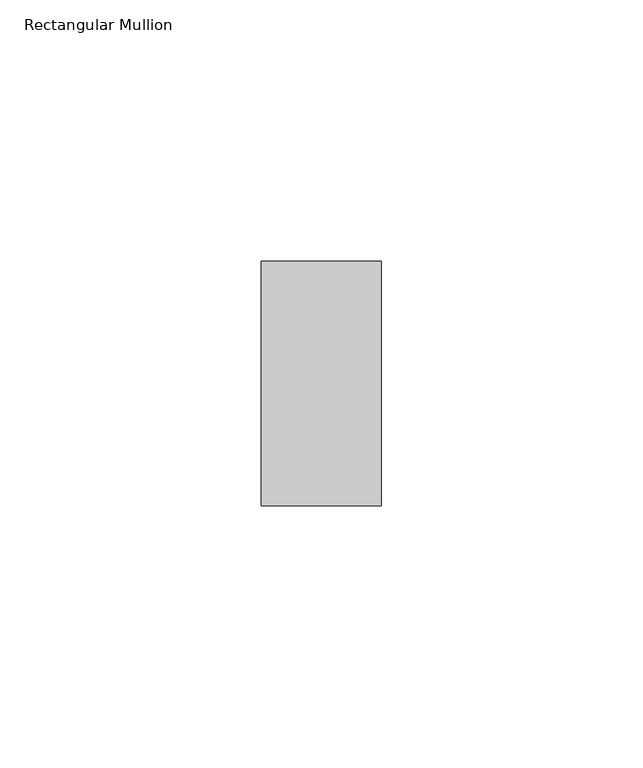
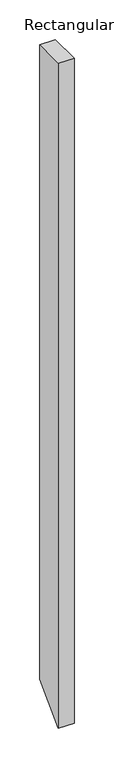
"""IFC4 building model written with IfcOpenShell, lengths in millimetres: member geometry, Rectangular Mullion."""

from ifc_helpers import new_model, si_unit, frame, origin, place, context, project, spatial, polyline, outline, extrude, source, transform, mapped, element, save


def rectangular_mullion_71b8e2f8(model_context):
    return source(origin(), model_context, "Body", "SweptSolid", [
        extrude(outline(polyline([(-23.4, 0.0), (23.4, 0.0), (23.4, -976.6), (-23.4, -1023.4), (-23.4, 0.0)])), frame((-23.0, 0.0, 0.0), z_axis=(1.0, 0.0, 0.0), x_axis=(0.0, 1.0, 0.0)), (0.0, 0.0, 1.0), 23.0),
    ])


if __name__ == "__main__":
    model = new_model("IFC4")
    model_context = context("Model", 3, world=origin())
    ifc_project = project(units=[si_unit("LENGTHUNIT", "METRE", prefix="MILLI")], contexts=[model_context])
    site = spatial("IfcSite", under=ifc_project)
    building = spatial("IfcBuilding", under=site)
    placement = place(None, origin())
    rectangular_mullion_shape = rectangular_mullion_71b8e2f8(model_context)
    element("IfcMember", 1, ObjectType="Rectangular Mullion", at=placement, inside=building, context=model_context, shape_type="MappedRepresentation", body=[
        mapped(rectangular_mullion_shape, transform((0.0, 0.0, 0.0), x_axis=(1.0, 0.0, 0.0), y_axis=(0.0, 1.0, 0.0), z_axis=(0.0, 0.0, 1.0))),
    ])
    save(model, "model.ifc")
